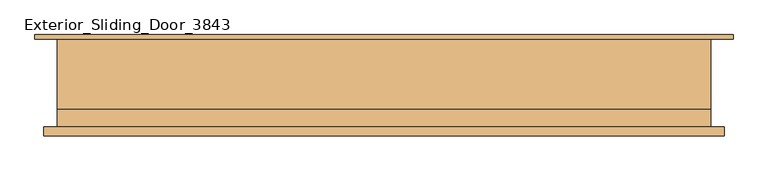
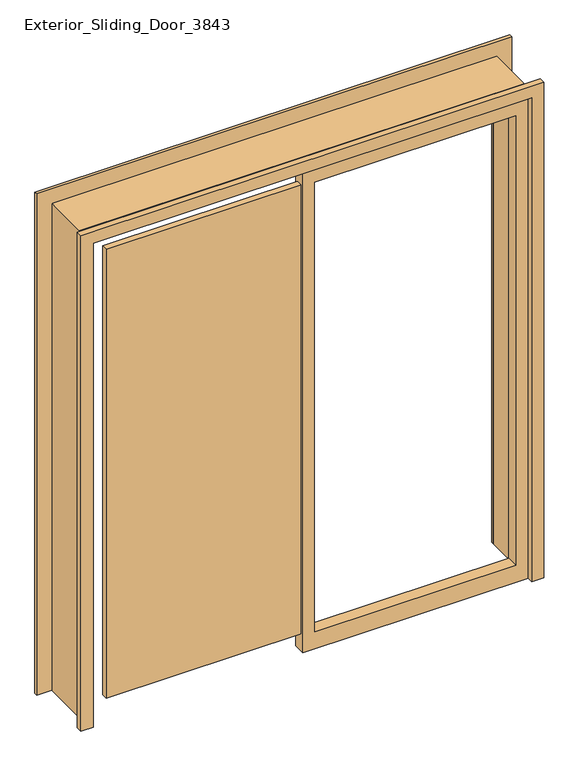
"""IFC4 building model written with IfcOpenShell, lengths in millimetres: door geometry, Exterior_Sliding_Door_3843."""

from ifc_helpers import new_model, si_unit, frame, origin, place, context, project, spatial, polyline, outline, extrude, source, transform, mapped, element, save


def exterior_sliding_door_3843_671fafc9(model_context):
    return source(origin(), model_context, "Body", "SweptSolid", [
        extrude(outline(polyline([(2133.6, 914.4), (2133.6, -25.4), (0.0, -25.4), (0.0, 914.4), (2133.6, 914.4)]), holes=[polyline([(2057.4, 863.6), (76.2, 863.6), (76.2, 25.4), (2057.4, 25.4), (2057.4, 863.6)])]), frame((0.0, -252.0, 0.0), z_axis=(0.0, 1.0, 0.0), x_axis=(0.0, 0.0, 1.0)), (0.0, 0.0, 1.0), 50.8),
        extrude(outline(polyline([(0.0, -990.6), (0.0, -914.4), (2133.6, -914.4), (2133.6, 914.4), (0.0, 914.4), (0.0, 990.6), (2209.8, 990.6), (2209.8, -990.6), (0.0, -990.6)])), frame((0.0, -2.0, 0.0), z_axis=(0.0, 1.0, 0.0), x_axis=(0.0, 0.0, 1.0)), (0.0, 0.0, 1.0), 12.7),
        extrude(outline(polyline([(0.0, 965.2), (2184.4, 965.2), (2184.4, -965.2), (0.0, -965.2), (0.0, -914.4), (2133.6, -914.4), (2133.6, 914.4), (0.0, 914.4), (0.0, 965.2)])), frame((0.0, -277.4, 0.0), z_axis=(0.0, 1.0, 0.0), x_axis=(0.0, 0.0, 1.0)), (0.0, 0.0, 1.0), 25.4),
        extrude(outline(polyline([(0.0, 927.1), (2146.3, 927.1), (2146.3, -927.1), (0.0, -927.1), (0.0, -914.4), (2133.6, -914.4), (2133.6, 914.4), (0.0, 914.4), (0.0, 927.1)])), frame((0.0, -252.0, 0.0), z_axis=(0.0, 1.0, 0.0), x_axis=(0.0, 0.0, 1.0)), (0.0, 0.0, 1.0), 50.8),
        extrude(outline(polyline([(0.0, 927.1), (2146.3, 927.1), (2146.3, -927.1), (0.0, -927.1), (0.0, -914.4), (2133.6, -914.4), (2133.6, 914.4), (0.0, 914.4), (0.0, 927.1)])), frame((0.0, -201.2, 0.0), z_axis=(0.0, 1.0, 0.0), x_axis=(0.0, 0.0, 1.0)), (0.0, 0.0, 1.0), 199.2),
        extrude(outline(polyline([(-838.2, -239.3), (-838.2, -213.9), (0.0, -213.9), (0.0, -239.3), (-838.2, -239.3)])), frame((0.0, 0.0, 76.2), z_axis=(0.0, 0.0, 1.0), x_axis=(1.0, 0.0, 0.0)), (0.0, 0.0, 1.0), 1981.2),
    ])


if __name__ == "__main__":
    model = new_model("IFC4")
    model_context = context("Model", 3, world=origin())
    ifc_project = project(units=[si_unit("LENGTHUNIT", "METRE", prefix="MILLI")], contexts=[model_context])
    site = spatial("IfcSite", under=ifc_project)
    building = spatial("IfcBuilding", under=site)
    placement = place(None, origin())
    exterior_sliding_door_3843_shape = exterior_sliding_door_3843_671fafc9(model_context)
    element("IfcDoor", 1, ObjectType="Exterior_Sliding_Door_3843", at=placement, inside=building, context=model_context, shape_type="MappedRepresentation", body=[
        mapped(exterior_sliding_door_3843_shape, transform((0.0, 0.0, 0.0), x_axis=(1.0, 0.0, 0.0), y_axis=(0.0, 1.0, 0.0), z_axis=(0.0, 0.0, 1.0))),
    ])
    save(model, "model.ifc")
